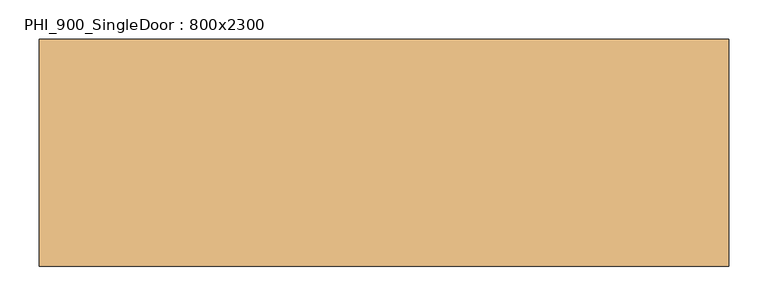
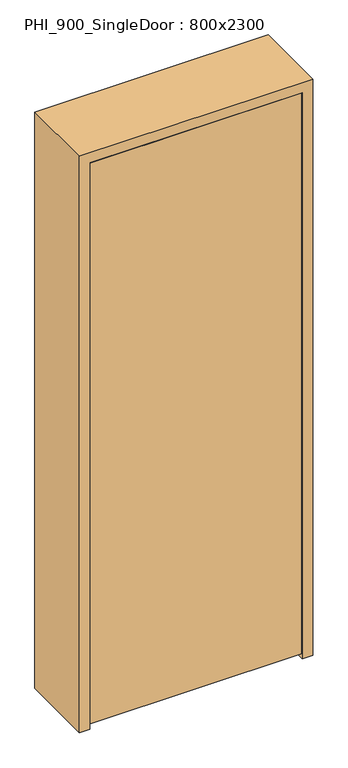
"""IFC4 building model written with IfcOpenShell, lengths in millimetres: door geometry, PHI_900_SingleDoor : 800x2300."""

from ifc_helpers import new_model, si_unit, frame, origin, place, context, project, spatial, polyline, outline, extrude, source, transform, mapped, element, save


def phi_900_singledoor_800x2300_c023e2e7(model_context):
    return source(origin(), model_context, "Body", "SweptSolid", [
        extrude(outline(polyline([(398.0, -145.0), (-398.0, -145.0), (-398.0, -95.0), (398.0, -95.0), (398.0, -145.0)])), frame((0.0, 0.0, 20.0), z_axis=(0.0, 0.0, 1.0), x_axis=(1.0, 0.0, 0.0)), (0.0, 0.0, 1.0), 2238.0),
        extrude(outline(polyline([(2300.0, -440.0), (0.0, -440.0), (0.0, -400.0), (2260.0, -400.0), (2260.0, 400.0), (0.0, 400.0), (0.0, 440.0), (2300.0, 440.0), (2300.0, -440.0)])), frame((0.0, -145.0, 0.0), z_axis=(0.0, 1.0, 0.0), x_axis=(0.0, 0.0, 1.0)), (0.0, 0.0, 1.0), 290.0),
        extrude(outline(polyline([(2260.0, -400.0), (0.0, -400.0), (0.0, -380.0), (2240.0, -380.0), (2240.0, 380.0), (0.0, 380.0), (0.0, 400.0), (2260.0, 400.0), (2260.0, -400.0)])), frame((0.0, -95.0, 0.0), z_axis=(0.0, 1.0, 0.0), x_axis=(0.0, 0.0, 1.0)), (0.0, 0.0, 1.0), 95.0),
    ])


if __name__ == "__main__":
    model = new_model("IFC4")
    model_context = context("Model", 3, world=origin())
    ifc_project = project(units=[si_unit("LENGTHUNIT", "METRE", prefix="MILLI")], contexts=[model_context])
    site = spatial("IfcSite", under=ifc_project)
    building = spatial("IfcBuilding", under=site)
    placement = place(None, origin())
    phi_900_singledoor_800x2300_shape = phi_900_singledoor_800x2300_c023e2e7(model_context)
    element("IfcDoor", 1, ObjectType="PHI_900_SingleDoor : 800x2300", at=placement, inside=building, context=model_context, shape_type="MappedRepresentation", body=[
        mapped(phi_900_singledoor_800x2300_shape, transform((0.0, 0.0, 0.0), x_axis=(1.0, 0.0, 0.0), y_axis=(0.0, 1.0, 0.0), z_axis=(0.0, 0.0, 1.0))),
    ])
    save(model, "model.ifc")
